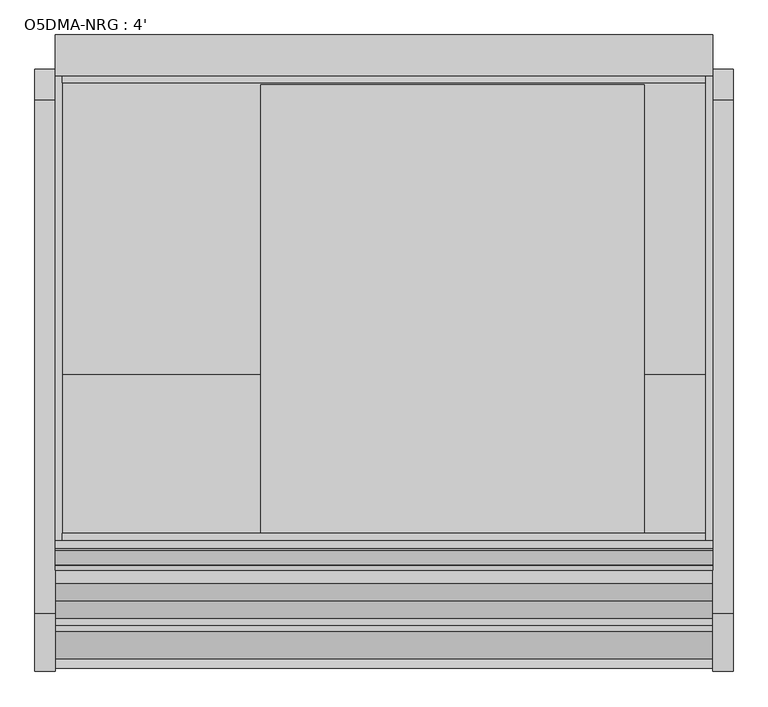
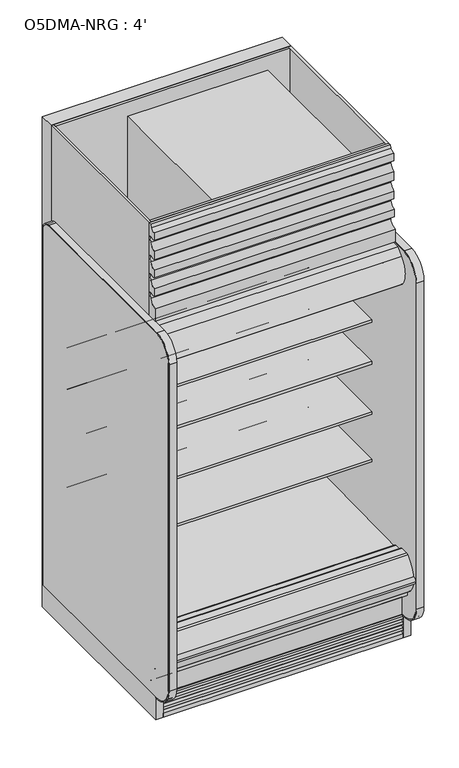
"""IFC4 building model written with IfcOpenShell, lengths in millimetres: proxy geometry, O5DMA-NRG : 4'."""

from ifc_helpers import new_model, si_unit, point, frame, frame_2d, origin, origin_with_axes, place, context, project, spatial, polyline, circle_curve, trimmed, segment, composite_curve, outline, extrude, source, transform, mapped, element, save
from ifc_brep_helpers import plane_surface, cylinder_surface, revolved_surface, advanced_brep


def o5dma_nrg_4_c6fe29ca(model_context):
    return source(origin(), model_context, "Body", "SolidModel", [
        extrude(outline(composite_curve([segment(polyline([(-1263.6866217, 2085.9118693), (-1318.6996994, 2085.9118693), (-1318.6996994, 2154.4143683)]), True, "CONTINUOUS"), segment(trimmed(circle_curve(frame_2d((-1319.6860573, 2197.5880723)), 43.1849699), [point((-1318.6996994, 2154.4143683))], [point((-1278.4754826, 2184.6795423))], True, "CARTESIAN"), True, "CONTINUOUS"), segment(polyline([(-1278.4754826, 2184.6795423), (-1268.454686, 2220.5791394), (-1302.3579387, 2213.7016488), (-1308.8711502, 2213.7016488), (-1308.8711502, 2254.1281122)]), True, "CONTINUOUS"), segment(trimmed(circle_curve(frame_2d((-1322.8567475, 2297.2085177)), 45.2936891), [point((-1308.8711502, 2254.1281122))], [point((-1279.6211841, 2283.7102095))], True, "CARTESIAN"), True, "CONTINUOUS"), segment(polyline([(-1279.6211841, 2283.7102095), (-1268.454686, 2319.2947996), (-1302.3579387, 2312.4173089), (-1308.7129688, 2312.4173089), (-1308.7129688, 2352.8952074)]), True, "CONTINUOUS"), segment(trimmed(circle_curve(frame_2d((-1323.0244337, 2396.1573595)), 45.5678816), [point((-1308.7129688, 2352.8952074))], [point((-1279.5752621, 2382.4241398))], True, "CARTESIAN"), True, "CONTINUOUS"), segment(polyline([(-1279.5752621, 2382.4241398), (-1268.454686, 2417.6074274), (-1302.3579387, 2411.1335648), (-1308.7129688, 2411.1335648), (-1308.7129688, 2456.6217182)]), True, "CONTINUOUS"), segment(trimmed(circle_curve(frame_2d((-1323.0244337, 2499.8838703)), 45.5678816), [point((-1308.7129688, 2456.6217182))], [point((-1279.5752621, 2486.1506506))], True, "CARTESIAN"), True, "CONTINUOUS"), segment(polyline([(-1279.5752621, 2486.1506506), (-1268.454686, 2521.3339382), (-1302.3579387, 2514.8600756), (-1308.7129688, 2514.8600756), (-1308.7129688, 2555.3379741)]), True, "CONTINUOUS"), segment(trimmed(circle_curve(frame_2d((-1306.8077518, 2590.2849342)), 34.9988553), [point((-1308.7129688, 2555.3379741))], [point((-1281.9927789, 2565.6042334))], True, "CARTESIAN"), True, "CONTINUOUS"), segment(polyline([(-1281.9927789, 2565.6042334), (-1277.4161637, 2582.0), (-1263.6866217, 2582.0), (-1263.6866217, 2085.9118693)]), True, "CONTINUOUS")], self_intersect=False)), frame((0.0, 0.0, 0.0), z_axis=(1.0, 0.0, 0.0), x_axis=(0.0, 1.0, 0.0)), (0.0, 0.0, 1.0), 1219.2),
        extrude(outline(polyline([(245.4971536, -595.3134422), (245.4971536, -709.6134422), (67.6971536, -709.6134422), (67.6971536, -595.3134422), (245.4971536, -595.3134422)])), frame((0.0, 0.0, 68.5310382), z_axis=(0.0, 0.0, 1.0), x_axis=(1.0, 0.0, 0.0)), (0.0, 0.0, 1.0), 6.35),
        extrude(outline(polyline([(1219.2, -325.3089273), (1219.2, -401.5089273), (0.0, -401.5089273), (0.0, -325.3089273), (1219.2, -325.3089273)])), frame((0.0, 0.0, 206.450819), z_axis=(0.0, 0.0, 1.0), x_axis=(1.0, 0.0, 0.0)), (0.0, 0.0, 1.0), 2375.549181),
        extrude(outline(polyline([(-401.5089273, 2053.8264246), (-955.9036792, 2053.8264246), (-955.9036792, 2075.2), (-1263.6866217, 2075.2), (-1263.6866217, 2582.0), (-401.5089273, 2582.0), (-401.5089273, 2053.8264246)])), frame((1206.5, 0.0, 0.0), z_axis=(1.0, 0.0, 0.0), x_axis=(0.0, 1.0, 0.0)), (0.0, 0.0, 1.0), 12.7),
        extrude(outline(polyline([(1206.5, -401.5089273), (1206.5, -414.2089273), (12.7, -414.2089273), (12.7, -401.5089273), (1206.5, -401.5089273)])), frame((0.0, 0.0, 2053.8264246), z_axis=(0.0, 0.0, 1.0), x_axis=(1.0, 0.0, 0.0)), (0.0, 0.0, 1.0), 528.1735754),
        extrude(outline(polyline([(1206.5, -1249.5614572), (1206.5, -1263.6866217), (12.7, -1263.6866217), (12.7, -1249.5614572), (1206.5, -1249.5614572)])), frame((0.0, 0.0, 2075.2), z_axis=(0.0, 0.0, 1.0), x_axis=(1.0, 0.0, 0.0)), (0.0, 0.0, 1.0), 506.8),
        extrude(outline(polyline([(-401.5089273, 2053.8264246), (-955.9242099, 2053.8264246), (-955.9242099, 2075.2), (-1263.6866217, 2075.2), (-1263.6866217, 2582.0), (-401.5089273, 2582.0), (-401.5089273, 2053.8264246)])), frame((0.0, 0.0, 0.0), z_axis=(1.0, 0.0, 0.0), x_axis=(0.0, 1.0, 0.0)), (0.0, 0.0, 1.0), 12.7),
        extrude(outline(composite_curve([segment(polyline([(-504.9331995, 794.189381), (-504.9331995, 719.0883547), (-528.313746, 719.0883547)]), True, "CONTINUOUS"), segment(trimmed(circle_curve(frame_2d((-528.7455821, 744.4846835)), 25.4), [point((-528.313746, 719.0883547))], [point((-544.7229383, 724.7392008))], False, "CARTESIAN"), True, "CONTINUOUS"), segment(polyline([(-544.7229383, 724.7392008), (-562.5749995, 739.1844663)]), True, "CONTINUOUS"), segment(trimmed(circle_curve(frame_2d((-602.5183901, 689.8207596)), 63.5), [point((-562.5749995, 739.1844663))], [point((-594.6205089, 752.8276915))], True, "CARTESIAN"), True, "CONTINUOUS"), segment(polyline([(-594.6205089, 752.8276915), (-869.1842482, 776.5248289), (-870.6730247, 779.965381), (-1114.4144075, 779.965381), (-1114.4144075, 794.189381), (-504.9331995, 794.189381)]), True, "CONTINUOUS")], self_intersect=False)), frame((0.0, 0.0, 0.0), z_axis=(1.0, 0.0, 0.0), x_axis=(0.0, 1.0, 0.0)), (0.0, 0.0, 1.0), 1219.2),
        extrude(outline(composite_curve([segment(polyline([(-504.9331995, 1049.544493), (-504.9331995, 974.4434667), (-528.313746, 974.4434667)]), True, "CONTINUOUS"), segment(trimmed(circle_curve(frame_2d((-528.7455821, 999.8397955)), 25.4), [point((-528.313746, 974.4434667))], [point((-544.7229383, 980.0943128))], False, "CARTESIAN"), True, "CONTINUOUS"), segment(polyline([(-544.7229383, 980.0943128), (-562.5749995, 994.5395783)]), True, "CONTINUOUS"), segment(trimmed(circle_curve(frame_2d((-602.5183901, 945.1758716)), 63.5), [point((-562.5749995, 994.5395783))], [point((-594.6205089, 1008.1828035))], True, "CARTESIAN"), True, "CONTINUOUS"), segment(polyline([(-594.6205089, 1008.1828035), (-869.1842482, 1031.8799409), (-870.6730247, 1035.320493), (-1114.4144075, 1035.320493), (-1114.4144075, 1049.544493), (-504.9331995, 1049.544493)]), True, "CONTINUOUS")], self_intersect=False)), frame((0.0, 0.0, 0.0), z_axis=(1.0, 0.0, 0.0), x_axis=(0.0, 1.0, 0.0)), (0.0, 0.0, 1.0), 1219.2),
        extrude(outline(composite_curve([segment(polyline([(-504.9331995, 1319.5585779), (-504.9331995, 1244.4575515), (-528.313746, 1244.4575515)]), True, "CONTINUOUS"), segment(trimmed(circle_curve(frame_2d((-528.7455821, 1269.8538803)), 25.4), [point((-528.313746, 1244.4575515))], [point((-544.7229383, 1250.1083976))], False, "CARTESIAN"), True, "CONTINUOUS"), segment(polyline([(-544.7229383, 1250.1083976), (-562.5749995, 1264.5536632)]), True, "CONTINUOUS"), segment(trimmed(circle_curve(frame_2d((-602.5183901, 1215.1899564)), 63.5), [point((-562.5749995, 1264.5536632))], [point((-594.6205089, 1278.1968884))], True, "CARTESIAN"), True, "CONTINUOUS"), segment(polyline([(-594.6205089, 1278.1968884), (-869.1842482, 1301.8940258), (-870.6730247, 1305.3345779), (-1114.4144075, 1305.3345779), (-1114.4144075, 1319.5585779), (-504.9331995, 1319.5585779)]), True, "CONTINUOUS")], self_intersect=False)), frame((0.0, 0.0, 0.0), z_axis=(1.0, 0.0, 0.0), x_axis=(0.0, 1.0, 0.0)), (0.0, 0.0, 1.0), 1219.2),
        extrude(outline(polyline([(-819.1925954, 1873.7130953), (-820.7483185, 1873.3970543), (-824.056726, 1889.6828121), (-824.056726, 1949.6779319), (-754.206726, 1949.6779319), (-754.206726, 1948.4203121), (-766.112976, 1948.4203121), (-801.831726, 1924.6078121), (-801.831726, 1948.4203121), (-822.469226, 1948.4203121), (-822.469226, 1889.8424301), (-819.1925954, 1873.7130953)])), frame((0.0, 0.0, 0.0), z_axis=(1.0, 0.0, 0.0), x_axis=(0.0, 1.0, 0.0)), (0.0, 0.0, 1.0), 1219.2),
        extrude(outline(composite_curve([segment(trimmed(circle_curve(frame_2d((-774.1696558, 1920.6997366)), 14.2875), [point((-788.4571558, 1920.6997366))], [point((-759.8821558, 1920.6997366))], False, "CARTESIAN"), True, "CONTINUOUS"), segment(trimmed(circle_curve(frame_2d((-774.1696558, 1920.6997366)), 14.2875), [point((-759.8821558, 1920.6997366))], [point((-788.4571558, 1920.6997366))], False, "CARTESIAN"), True, "CONTINUOUS")], self_intersect=False)), frame((0.0, 0.0, 0.0), z_axis=(1.0, 0.0, 0.0), x_axis=(0.0, 1.0, 0.0)), (0.0, 0.0, 1.0), 1219.2),
        extrude(outline(polyline([(0.0, -6.35), (0.0, 0.0), (1219.2, 0.0), (1219.2, -6.35), (0.0, -6.35)])), frame((1219.2, -524.3976265, 1670.2859362), z_axis=(0.0, -0.580702955710887, 0.8141155183563569), x_axis=(-1.0, 0.0, 0.0)), (0.0, 0.0, 1.0), 300.455534),
        extrude(outline(composite_curve([segment(trimmed(circle_curve(frame_2d((-507.6345065, 1656.5706649)), 2.8575), [point((-504.9331995, 1655.6388672))], [point((-506.5179923, 1653.9403223))], False, "CARTESIAN"), True, "CONTINUOUS"), segment(polyline([(-506.5179923, 1653.9403223), (-515.6142737, 1650.0791799)]), True, "CONTINUOUS"), segment(trimmed(circle_curve(frame_2d((-516.7307879, 1652.7095225)), 2.8575), [point((-515.6142737, 1650.0791799))], [point((-519.2768391, 1651.4122447))], False, "CARTESIAN"), True, "CONTINUOUS"), segment(polyline([(-519.2768391, 1651.4122447), (-527.2046481, 1666.971446)]), True, "CONTINUOUS"), segment(trimmed(circle_curve(frame_2d((-526.0730698, 1667.5480139)), 1.27), [point((-527.2046481, 1666.971446))], [point((-526.6496378, 1668.6795922))], False, "CARTESIAN"), True, "CONTINUOUS"), segment(polyline([(-526.6496378, 1668.6795922), (-519.227993, 1673.9734), (-507.4434516, 1657.4520824), (-506.0470065, 1656.5706649), (-506.0470065, 1694.6699147), (-504.9331995, 1694.6699147), (-504.9331995, 1655.6388672)]), True, "CONTINUOUS")], self_intersect=False)), frame((0.0, 0.0, 0.0), z_axis=(1.0, 0.0, 0.0), x_axis=(0.0, 1.0, 0.0)), (0.0, 0.0, 1.0), 1219.2),
        extrude(outline(composite_curve([segment(polyline([(-696.8626604, 1923.0080191), (-693.7034096, 1918.5789129), (-698.8730432, 1914.8914491), (-701.4750016, 1914.0888217)]), True, "CONTINUOUS"), segment(trimmed(circle_curve(frame_2d((-702.1352778, 1916.2293059)), 2.2400083), [point((-701.4750016, 1914.0888217))], [point((-703.3202525, 1914.3283924))], False, "CARTESIAN"), True, "CONTINUOUS"), segment(polyline([(-703.3202525, 1914.3283924), (-727.3498745, 1948.0166799), (-743.2248745, 1948.0166799), (-743.2248745, 1949.6779319), (-726.9748589, 1949.6779319), (-714.1682492, 1931.7237274), (-704.480356, 1938.6340345)]), True, "CONTINUOUS"), segment(trimmed(circle_curve(frame_2d((-703.7428632, 1937.6001078)), 1.27), [point((-704.480356, 1938.6340345))], [point((-702.7089365, 1938.3376005))], False, "CARTESIAN"), True, "CONTINUOUS"), segment(polyline([(-702.7089365, 1938.3376005), (-693.4902771, 1925.4135167), (-696.8626604, 1923.0080191)]), True, "CONTINUOUS")], self_intersect=False)), frame((0.0, 0.0, 0.0), z_axis=(1.0, 0.0, 0.0), x_axis=(0.0, 1.0, 0.0)), (0.0, 0.0, 1.0), 1219.2),
        extrude(outline(composite_curve([segment(trimmed(circle_curve(frame_2d((368.3, 1139.6090336)), 12.7), [point((368.3, 1152.3090336))], [point((368.3, 1126.9090336))], False, "CARTESIAN"), True, "CONTINUOUS"), segment(trimmed(circle_curve(frame_2d((368.3, 1139.6090336)), 12.7), [point((368.3, 1126.9090336))], [point((368.3, 1152.3090336))], False, "CARTESIAN"), True, "CONTINUOUS")], self_intersect=False)), frame((0.0, -447.5561252, 0.0), z_axis=(0.0, 1.0, 0.0), x_axis=(0.0, 0.0, 1.0)), (0.0, 0.0, 1.0), 52.3971979),
        extrude(outline(composite_curve([segment(trimmed(circle_curve(frame_2d((368.3, 1101.1972115)), 9.525), [point((368.3, 1110.7222115))], [point((368.3, 1091.6722115))], False, "CARTESIAN"), True, "CONTINUOUS"), segment(trimmed(circle_curve(frame_2d((368.3, 1101.1972115)), 9.525), [point((368.3, 1091.6722115))], [point((368.3, 1110.7222115))], False, "CARTESIAN"), True, "CONTINUOUS")], self_intersect=False)), frame((0.0, -447.5561252, 0.0), z_axis=(0.0, 1.0, 0.0), x_axis=(0.0, 0.0, 1.0)), (0.0, 0.0, 1.0), 52.3971979),
        extrude(outline(composite_curve([segment(polyline([(-451.7851762, 2003.6360246), (-451.7851762, 404.745884), (-504.9331995, 404.745884), (-504.9331995, 1926.7316344)]), True, "CONTINUOUS"), segment(trimmed(circle_curve(frame_2d((-530.2144075, 1924.2779595)), 25.4), [point((-504.9331995, 1926.7316344))], [point((-530.1770065, 1949.6779319))], True, "CARTESIAN"), True, "CONTINUOUS"), segment(polyline([(-530.1770065, 1949.6779319), (-1114.9745421, 1949.6779319), (-1114.9745421, 1914.2218291)]), True, "CONTINUOUS"), segment(trimmed(circle_curve(frame_2d((-1117.196833, 1914.2218291)), 2.2222909), [point((-1114.9745421, 1914.2218291))], [point((-1117.196833, 1911.9995382))], False, "CARTESIAN"), True, "CONTINUOUS"), segment(polyline([(-1117.196833, 1911.9995382), (-1126.6611644, 1911.9995382)]), True, "CONTINUOUS"), segment(trimmed(circle_curve(frame_2d((-1126.6611644, 1912.3170382)), 0.3175), [point((-1126.6611644, 1911.9995382))], [point((-1126.6611644, 1912.6345382))], False, "CARTESIAN"), True, "CONTINUOUS"), segment(polyline([(-1126.6611644, 1912.6345382), (-1117.1970421, 1912.6345382)]), True, "CONTINUOUS"), segment(trimmed(circle_curve(frame_2d((-1117.1970421, 1914.2220382)), 1.5875), [point((-1117.1970421, 1912.6345382))], [point((-1115.6095421, 1914.2220382))], True, "CARTESIAN"), True, "CONTINUOUS"), segment(polyline([(-1115.6095421, 1914.2220382), (-1115.6095421, 1942.4487846), (-1220.1998155, 1942.4487846), (-1220.1998155, 1914.2220382)]), True, "CONTINUOUS"), segment(trimmed(circle_curve(frame_2d((-1218.6123155, 1914.2220382)), 1.5875), [point((-1220.1998155, 1914.2220382))], [point((-1218.6123155, 1912.6345382))], True, "CARTESIAN"), True, "CONTINUOUS"), segment(polyline([(-1218.6123155, 1912.6345382), (-1209.9959099, 1912.6345382)]), True, "CONTINUOUS"), segment(trimmed(circle_curve(frame_2d((-1209.9959099, 1912.3170382)), 0.3175), [point((-1209.9959099, 1912.6345382))], [point((-1209.9959099, 1911.9995382))], False, "CARTESIAN"), True, "CONTINUOUS"), segment(polyline([(-1209.9959099, 1911.9995382), (-1218.6125246, 1911.9995382)]), True, "CONTINUOUS"), segment(trimmed(circle_curve(frame_2d((-1218.6125246, 1914.2218291)), 2.2222909), [point((-1218.6125246, 1911.9995382))], [point((-1220.8348155, 1914.2220382))], False, "CARTESIAN"), True, "CONTINUOUS"), segment(polyline([(-1220.8348155, 1914.2220382), (-1220.8264025, 2003.6360246), (-451.7851762, 2003.6360246)]), True, "CONTINUOUS")], self_intersect=False)), frame((0.0, 0.0, 0.0), z_axis=(1.0, 0.0, 0.0), x_axis=(0.0, 1.0, 0.0)), (0.0, 0.0, 1.0), 1219.2),
        advanced_brep(
        [(1219.2, -1428.7889874, 391.24255), (1219.2, -1428.7889874, 254.2724833), (1219.2, -1275.0830824, 130.175), (1219.2, -401.5089273, 130.175), (1219.2, -401.5089273, 2053.8264246), (1219.2, -1260.1538424, 2053.8264246), (1219.2, -1260.1538424, 2003.6360246), (1219.2, -451.7851762, 2003.6360246), (1219.2, -451.7851762, 363.9695251), (1219.2, -599.5014929, 211.662363), (1219.2, -1043.5931205, 195.6779213), (1219.2, -1096.7050237, 157.095884), (1219.2, -1163.5210307, 157.095884), (1219.2, -1221.5656168, 189.2720563), (1219.2, -1379.2843872, 341.5792153), (1219.2, -1379.2843872, 391.24255), (0.0, -1428.7889874, 391.24255), (0.0, -1379.2843872, 391.24255), (0.0, -1379.2843872, 341.5792153), (0.0, -1221.5656168, 189.2720563), (0.0, -1163.5210307, 157.095884), (0.0, -1096.7050237, 157.095884), (0.0, -1043.5931205, 195.6779213), (0.0, -599.5014929, 211.662363), (0.0, -451.7851762, 363.9695251), (0.0, -451.7851762, 2003.6360246), (0.0, -1260.1538424, 2003.6360246), (0.0, -1260.1538424, 2053.8264246), (0.0, -401.5089273, 2053.8264246), (0.0, -401.5089273, 130.175), (0.0, -1275.0830824, 130.175), (0.0, -1428.7889874, 254.2724833), (1117.6, -401.5089273, 317.5), (1117.6, -401.5089273, 419.1), (1117.6, -447.5561252, 317.5), (1117.6, -447.5561252, 419.1)],
        [
            (0, 1),
            (1, 2),
            (2, 3),
            (3, 4),
            (4, 5),
            (5, 6),
            (6, 7),
            (7, 8),
            (8, 9, circle_curve(frame((1219.2, -605.0132276, 364.7934683), z_axis=(-1.0, 0.0, 0.0), x_axis=(0.0, 1.0, 0.0)), 153.2302667)),
            (9, 10),
            (10, 11),
            (11, 12),
            (12, 13),
            (13, 14, circle_curve(frame((1219.2, -1226.8843872, 341.5792153), z_axis=(-1.0, 0.0, 0.0), x_axis=(0.0, 1.0, 0.0)), 152.4)),
            (14, 15),
            (15, 0),
            (16, 17),
            (17, 18),
            (18, 19, circle_curve(frame((0.0, -1226.8843872, 341.5792153), z_axis=(1.0, 0.0, 0.0), x_axis=(0.0, 1.0, 0.0)), 152.4)),
            (19, 20),
            (20, 21),
            (21, 22),
            (22, 23),
            (23, 24, circle_curve(frame((0.0, -605.0132276, 364.7934683), z_axis=(1.0, 0.0, 0.0), x_axis=(0.0, 1.0, 0.0)), 153.2302667)),
            (24, 25),
            (25, 26),
            (26, 27),
            (27, 28),
            (28, 29),
            (29, 30),
            (30, 31),
            (31, 16),
            (0, 16),
            (31, 1),
            (30, 2),
            (29, 3),
            (28, 4),
            (32, 33, circle_curve(frame((1117.6, -401.5089273, 368.3), z_axis=(0.0, -1.0, 0.0), x_axis=(0.0, 0.0, 1.0)), 50.8)),
            (33, 32, circle_curve(frame((1117.6, -401.5089273, 368.3), z_axis=(0.0, -1.0, 0.0), x_axis=(0.0, 0.0, 1.0)), 50.8)),
            (27, 5),
            (26, 6),
            (25, 7),
            (24, 8),
            (23, 9),
            (22, 10),
            (21, 11),
            (20, 12),
            (19, 13),
            (18, 14),
            (17, 15),
            (34, 35, circle_curve(frame((1117.6, -447.5561252, 368.3), z_axis=(0.0, 1.0, 0.0), x_axis=(0.0, 0.0, 1.0)), 50.8)),
            (35, 34, circle_curve(frame((1117.6, -447.5561252, 368.3), z_axis=(0.0, 1.0, 0.0), x_axis=(0.0, 0.0, 1.0)), 50.8)),
            (35, 33),
            (32, 34),
        ],
        [
            plane_surface(frame((1219.2, -1428.7889874, 254.2724833), z_axis=(1.0, 0.0, 0.0), x_axis=(0.0, 0.0, -1.0))),
            plane_surface(frame((0.0, -1428.7889874, 254.2724833), z_axis=(-1.0, 0.0, 0.0), x_axis=(0.0, 0.0, 1.0))),
            plane_surface(frame((1219.2, -1428.7889874, 391.24255), z_axis=(0.0, -1.0, 0.0), x_axis=(-1.0, 0.0, 0.0))),
            plane_surface(frame((1219.2, -1428.7889874, 254.2724833), z_axis=(0.0, -0.6281851642637378, -0.7780638787393622), x_axis=(-1.0, 0.0, 0.0))),
            plane_surface(frame((1219.2, -1275.0830824, 130.175), z_axis=(0.0, 0.0, -1.0), x_axis=(-1.0, 0.0, 0.0))),
            plane_surface(frame((1219.2, -401.5089273, 130.175), z_axis=(0.0, 1.0, 0.0), x_axis=(-1.0, 0.0, 0.0))),
            plane_surface(frame((1219.2, -401.5089273, 2053.8264246), z_axis=(0.0, 0.0, 1.0), x_axis=(-1.0, 0.0, 0.0))),
            plane_surface(frame((1219.2, -1260.1538424, 2053.8264246), z_axis=(0.0, -1.0, 0.0), x_axis=(-1.0, 0.0, 0.0))),
            plane_surface(frame((1219.2, -1260.1538424, 2003.6360246), z_axis=(0.0, 0.0, -1.0), x_axis=(-1.0, 0.0, 0.0))),
            plane_surface(frame((1219.2, -451.7851762, 2003.6360246), z_axis=(0.0, -1.0, 0.0), x_axis=(-1.0, 0.0, 0.0))),
            revolved_surface(polyline([(0.0, -451.78296090000003, 364.7934683), (1219.2, -451.78296090000003, 364.7934683)]), (0.0, -605.0132276, 364.7934683), (-1.0, 0.0, 0.0)),
            plane_surface(frame((1219.2, -599.5014929, 211.662363), z_axis=(0.0, -0.035970274152171335, 0.9993528602938092), x_axis=(-1.0, 0.0, 0.0))),
            plane_surface(frame((1219.2, -1043.5931205, 195.6779213), z_axis=(0.0, -0.5877252382160976, 0.8090605937529224), x_axis=(-1.0, 0.0, 0.0))),
            plane_surface(frame((1219.2, -1096.7050237, 157.095884), z_axis=(0.0, 0.0, 1.0), x_axis=(-1.0, 0.0, 0.0))),
            plane_surface(frame((1219.2, -1163.5210307, 157.095884), z_axis=(0.0, 0.48482728759131516, 0.8746099137368889), x_axis=(-1.0, 0.0, 0.0))),
            revolved_surface(polyline([(0.0, -1074.4843872, 341.5792153), (1219.2, -1074.4843872, 341.5792153)]), (0.0, -1226.8843872, 341.5792153), (-1.0, 0.0, 0.0)),
            plane_surface(frame((1219.2, -1379.2843872, 341.5792153), z_axis=(0.0, 1.0, 0.0), x_axis=(-1.0, 0.0, 0.0))),
            plane_surface(frame((1219.2, -1379.2843872, 391.24255), z_axis=(0.0, 0.0, 1.0), x_axis=(-1.0, 0.0, 0.0))),
            plane_surface(frame((1117.6, -447.5561252, 419.1), z_axis=(0.0, 1.0, 0.0), x_axis=(-1.0, 0.0, 0.0))),
            revolved_surface(polyline([(1117.6, -447.5561252, 419.1), (1117.6, -401.5089273, 419.1)]), (1117.6, -401.5089273, 368.3), (0.0, -1.0, 0.0)),
        ],
        [
            (0, [[1, 2, 3, 4, 5, 6, 7, 8, 9, 10, 11, 12, 13, 14, 15, 16]]),
            (1, [[17, 18, 19, 20, 21, 22, 23, 24, 25, 26, 27, 28, 29, 30, 31, 32]]),
            (2, [[-1, 33, -32, 34]]),
            (3, [[-2, -34, -31, 35]]),
            (4, [[-3, -35, -30, 36]]),
            (5, [[-4, -36, -29, 37], [38, 39]]),
            (6, [[-5, -37, -28, 40]]),
            (7, [[-6, -40, -27, 41]]),
            (8, [[-7, -41, -26, 42]]),
            (9, [[-8, -42, -25, 43]]),
            (10, [[-9, -43, -24, 44]]),
            (11, [[-10, -44, -23, 45]]),
            (12, [[-11, -45, -22, 46]]),
            (13, [[-12, -46, -21, 47]]),
            (14, [[-13, -47, -20, 48]]),
            (15, [[-14, -48, -19, 49]]),
            (16, [[-15, -49, -18, 50]]),
            (17, [[-16, -50, -17, -33]]),
            (18, [[51, 52]]),
            (19, [[-52, 53, -38, 54]]),
            (19, [[-51, -54, -39, -53]]),
        ],
    ),
        advanced_brep(
        [(1219.2, -1221.5656168, 189.2720563), (1219.2, -1163.5210307, 157.095884), (1219.2, -1096.7050237, 157.095884), (1219.2, -1043.5931205, 195.6779213), (1219.2, -599.5014929, 211.662363), (1219.2, -451.7851762, 363.9695251), (1219.2, -451.7851762, 404.745884), (1219.2, -504.9543965, 404.745884), (1219.2, -504.9543965, 468.8781737), (1219.2, -516.6398058, 457.951581), (1219.2, -611.5826347, 451.2993262), (1219.2, -611.5826347, 459.5548668), (1219.2, -1317.6144075, 447.2310363), (1219.2, -1317.6144075, 451.8697146), (1219.2, -1324.3287142, 459.701519), (1219.2, -1379.2843872, 459.701519), (1219.2, -1379.2843872, 341.5792153), (0.0, -1221.5656168, 189.2720563), (0.0, -1379.2843872, 341.5792153), (0.0, -1379.2843872, 459.701519), (0.0, -1324.3287142, 459.701519), (0.0, -1317.6144075, 451.8697146), (0.0, -1317.6144075, 447.2310363), (0.0, -611.5826347, 459.5548668), (0.0, -611.5826347, 451.2993262), (0.0, -516.6285003, 457.9391661), (0.0, -504.9543965, 468.8781737), (0.0, -504.9543965, 404.745884), (0.0, -451.7851762, 404.745884), (0.0, -451.7851762, 363.9695251), (0.0, -599.5014929, 211.662363), (0.0, -1043.5931205, 195.6779213), (0.0, -1096.7050237, 157.095884), (0.0, -1163.5210307, 157.095884)],
        [
            (0, 1),
            (1, 2),
            (2, 3),
            (3, 4),
            (4, 5, circle_curve(frame((1219.2, -605.0132276, 364.7934683), z_axis=(1.0, 0.0, 0.0), x_axis=(0.0, 1.0, 0.0)), 153.2302667)),
            (5, 6),
            (6, 7),
            (7, 8),
            (8, 9, circle_curve(frame((1219.2, -517.5249667, 470.6099714), z_axis=(-1.0, 0.0, 0.0), x_axis=(0.0, 1.0, 0.0)), 12.689301)),
            (9, 10),
            (10, 11),
            (11, 12),
            (12, 13),
            (13, 14, circle_curve(frame((1219.2, -1325.5392075, 451.8697146), z_axis=(1.0, 0.0, 0.0), x_axis=(0.0, 1.0, 0.0)), 7.9248)),
            (14, 15),
            (15, 16),
            (16, 0, circle_curve(frame((1219.2, -1226.8843872, 341.5792153), z_axis=(1.0, 0.0, 0.0), x_axis=(0.0, 1.0, 0.0)), 152.4)),
            (17, 18, circle_curve(frame((0.0, -1226.8843872, 341.5792153), z_axis=(-1.0, 0.0, 0.0), x_axis=(0.0, 1.0, 0.0)), 152.4)),
            (18, 19),
            (19, 20),
            (20, 21, circle_curve(frame((0.0, -1325.5392075, 451.8697146), z_axis=(-1.0, 0.0, 0.0), x_axis=(0.0, 1.0, 0.0)), 7.9248)),
            (21, 22),
            (22, 23),
            (23, 24),
            (24, 25),
            (25, 26, circle_curve(frame((0.0, -517.5249667, 470.6099714), z_axis=(1.0, 0.0, 0.0), x_axis=(0.0, 1.0, 0.0)), 12.689301)),
            (26, 27),
            (27, 28),
            (28, 29),
            (29, 30, circle_curve(frame((0.0, -605.0132276, 364.7934683), z_axis=(-1.0, 0.0, 0.0), x_axis=(0.0, 1.0, 0.0)), 153.2302667)),
            (30, 31),
            (31, 32),
            (32, 33),
            (33, 17),
            (15, 19),
            (18, 16),
            (17, 0),
            (33, 1),
            (32, 2),
            (31, 3),
            (30, 4),
            (29, 5),
            (28, 6),
            (27, 7),
            (26, 8),
            (25, 9),
            (24, 10),
            (23, 11),
            (22, 12),
            (14, 20),
            (21, 13),
        ],
        [
            plane_surface(frame((1219.2, -1221.5656168, 189.2720563), z_axis=(1.0, 0.0, 0.0), x_axis=(0.0, 0.8746099137368883, -0.48482728759131605))),
            plane_surface(frame((0.0, -1221.5656168, 189.2720563), z_axis=(-1.0, 0.0, 0.0), x_axis=(0.0, -0.8746099137368883, 0.48482728759131605))),
            plane_surface(frame((1219.2, -1379.2843872, 459.701519), z_axis=(0.0, -1.0, 0.0), x_axis=(-1.0, 0.0, 0.0))),
            cylinder_surface(frame((0.0, -1226.8843872, 341.5792153), z_axis=(1.0, 0.0, 0.0), x_axis=(0.0, 1.0, 0.0)), 152.4),
            plane_surface(frame((1219.2, -1221.5656168, 189.2720563), z_axis=(0.0, -0.48482728759131605, -0.8746099137368883), x_axis=(-1.0, 0.0, 0.0))),
            plane_surface(frame((1219.2, -1163.5210307, 157.095884), z_axis=(0.0, 0.0, -1.0), x_axis=(-1.0, 0.0, 0.0))),
            plane_surface(frame((1219.2, -1096.7050237, 157.095884), z_axis=(0.0, 0.5877252382160976, -0.8090605937529224), x_axis=(-1.0, 0.0, 0.0))),
            plane_surface(frame((1219.2, -1043.5931205, 195.6779213), z_axis=(0.0, 0.03597027415217135, -0.9993528602938092), x_axis=(-1.0, 0.0, 0.0))),
            cylinder_surface(frame((0.0, -605.0132276, 364.7934683), z_axis=(1.0, 0.0, 0.0), x_axis=(0.0, 1.0, 0.0)), 153.2302667),
            plane_surface(frame((1219.2, -451.7851762, 363.9695251), z_axis=(0.0, 1.0, 0.0), x_axis=(-1.0, 0.0, 0.0))),
            plane_surface(frame((1219.2, -451.7851762, 404.745884), z_axis=(0.0, 0.0, 1.0), x_axis=(-1.0, 0.0, 0.0))),
            plane_surface(frame((1219.2, -504.9543965, 404.745884), z_axis=(0.0, 1.0, 0.0), x_axis=(-1.0, 0.0, 0.0))),
            revolved_surface(polyline([(0.0, -504.83566570000005, 470.6099714), (1219.2, -504.83566570000005, 470.6099714)]), (0.0, -517.5249667, 470.6099714), (-1.0, 0.0, 0.0)),
            plane_surface(frame((1219.2, -516.6285003, 457.9391661), z_axis=(0.0, -0.06975647369769093, 0.9975640502630714), x_axis=(-1.0, 0.0, 0.0))),
            plane_surface(frame((1219.2, -611.5826347, 451.2993262), z_axis=(0.0, 1.0, 0.0), x_axis=(-1.0, 0.0, 0.0))),
            plane_surface(frame((1219.2, -611.5826347, 459.5548668), z_axis=(0.0, -0.0174524064372834, 0.9998476951563914), x_axis=(-1.0, 0.0, 0.0))),
            plane_surface(frame((1219.2, -1324.3287142, 459.701519), z_axis=(0.0, 0.0, 1.0), x_axis=(-1.0, 0.0, 0.0))),
            plane_surface(frame((1219.2, -1317.6144075, 447.2310363), z_axis=(0.0, 1.0, 0.0), x_axis=(-1.0, 0.0, 0.0))),
            cylinder_surface(frame((0.0, -1325.5392075, 451.8697146), z_axis=(1.0, 0.0, 0.0), x_axis=(0.0, 1.0, 0.0)), 7.9248),
        ],
        [
            (0, [[1, 2, 3, 4, 5, 6, 7, 8, 9, 10, 11, 12, 13, 14, 15, 16, 17]]),
            (1, [[18, 19, 20, 21, 22, 23, 24, 25, 26, 27, 28, 29, 30, 31, 32, 33, 34]]),
            (2, [[-16, 35, -19, 36]]),
            (3, [[-17, -36, -18, 37]]),
            (4, [[-1, -37, -34, 38]]),
            (5, [[-2, -38, -33, 39]]),
            (6, [[-3, -39, -32, 40]]),
            (7, [[-4, -40, -31, 41]]),
            (8, [[-5, -41, -30, 42]]),
            (9, [[-6, -42, -29, 43]]),
            (10, [[-7, -43, -28, 44]]),
            (11, [[-8, -44, -27, 45]]),
            (12, [[-9, -45, -26, 46]]),
            (13, [[-10, -46, -25, 47]]),
            (14, [[-11, -47, -24, 48]]),
            (15, [[-12, -48, -23, 49]]),
            (16, [[-15, 50, -20, -35]]),
            (17, [[-13, -49, -22, 51]]),
            (18, [[-14, -51, -21, -50]]),
        ],
    ),
        extrude(outline(composite_curve([segment(trimmed(circle_curve(frame_2d((914.4, -1128.5839273)), 38.1), [point((876.3, -1128.5839273))], [point((952.5, -1128.5839273))], False, "CARTESIAN"), True, "CONTINUOUS"), segment(trimmed(circle_curve(frame_2d((914.4, -1128.5839273)), 38.1), [point((952.5, -1128.5839273))], [point((876.3, -1128.5839273))], False, "CARTESIAN"), True, "CONTINUOUS")], self_intersect=False)), frame((0.0, 0.0, 66.7090149), z_axis=(0.0, 0.0, 1.0), x_axis=(1.0, 0.0, 0.0)), (0.0, 0.0, 1.0), 57.1159851),
        advanced_brep(
        [(1219.2, -401.5089273, 0.0), (1219.2, -401.5089273, 130.175), (1219.2, -1207.9589273, 130.175), (1219.2, -1207.9589273, 0.0), (1219.2, -1161.1594273, 0.0), (1219.2, -1161.1594273, 74.8810382), (1219.2, -446.7209273, 74.8810382), (1219.2, -446.7209273, 0.0), (0.0, -401.5089273, 0.0), (0.0, -446.7209273, 0.0), (0.0, -446.7209273, 74.8810382), (0.0, -1161.1594273, 74.8810382), (0.0, -1161.1594273, 0.0), (0.0, -1207.9589273, 0.0), (0.0, -1207.9589273, 130.175), (0.0, -401.5089273, 130.175), (875.4195331, -1161.1594273, 0.0), (953.3804669, -1161.1594273, 0.0), (953.3804669, -1161.1594273, 74.8810382), (875.4195331, -1161.1594273, 74.8810382), (965.2, -1128.5839273, 74.8810382), (863.6, -1128.5839273, 74.8810382), (863.6, -1128.5839273, 123.825), (965.2, -1128.5839273, 123.825)],
        [
            (0, 1),
            (1, 2),
            (2, 3),
            (3, 4),
            (4, 5),
            (5, 6),
            (6, 7),
            (7, 0),
            (8, 9),
            (9, 10),
            (10, 11),
            (11, 12),
            (12, 13),
            (13, 14),
            (14, 15),
            (15, 8),
            (0, 8),
            (15, 1),
            (14, 2),
            (13, 3),
            (12, 16),
            (16, 17, circle_curve(frame((914.4, -1128.5839273, 0.0), z_axis=(0.0, 0.0, 1.0), x_axis=(1.0, 0.0, 0.0)), 50.8)),
            (17, 4),
            (17, 18),
            (18, 5),
            (11, 19),
            (19, 16),
            (18, 20, circle_curve(frame((914.4, -1128.5839273, 74.8810382), z_axis=(0.0, 0.0, 1.0), x_axis=(1.0, 0.0, 0.0)), 50.8)),
            (20, 21, circle_curve(frame((914.4, -1128.5839273, 74.8810382), z_axis=(0.0, 0.0, 1.0), x_axis=(1.0, 0.0, 0.0)), 50.8)),
            (21, 19, circle_curve(frame((914.4, -1128.5839273, 74.8810382), z_axis=(0.0, 0.0, 1.0), x_axis=(1.0, 0.0, 0.0)), 50.8)),
            (10, 6),
            (9, 7),
            (22, 23, circle_curve(frame((914.4, -1128.5839273, 123.825), z_axis=(0.0, 0.0, -1.0), x_axis=(1.0, 0.0, 0.0)), 50.8)),
            (23, 22, circle_curve(frame((914.4, -1128.5839273, 123.825), z_axis=(0.0, 0.0, -1.0), x_axis=(1.0, 0.0, 0.0)), 50.8)),
            (23, 20),
            (21, 22),
        ],
        [
            plane_surface(frame((1219.2, -401.5089273, 1893.5715584), z_axis=(1.0, 0.0, 0.0), x_axis=(0.0, 0.0, 1.0))),
            plane_surface(frame((0.0, -401.5089273, 1893.5715584), z_axis=(-1.0, 0.0, 0.0), x_axis=(0.0, 0.0, -1.0))),
            plane_surface(frame((1219.2, -401.5089273, 0.0), z_axis=(0.0, 1.0, 0.0), x_axis=(-1.0, 0.0, 0.0))),
            plane_surface(frame((1219.2, -401.5089273, 130.175), z_axis=(0.0, 0.0, 1.0), x_axis=(-1.0, 0.0, 0.0))),
            plane_surface(frame((1219.2, -1207.9589273, 130.175), z_axis=(0.0, -1.0, 0.0), x_axis=(-1.0, 0.0, 0.0))),
            plane_surface(frame((1219.2, -1207.9589273, 0.0), z_axis=(0.0, 0.0, -1.0), x_axis=(-1.0, 0.0, 0.0))),
            plane_surface(frame((1219.2, -1161.1594273, 0.0), z_axis=(0.0, 1.0, 0.0), x_axis=(-1.0, 0.0, 0.0))),
            plane_surface(frame((1219.2, -1161.1594273, 74.8810382), z_axis=(0.0, 0.0, -1.0), x_axis=(-1.0, 0.0, 0.0))),
            plane_surface(frame((1219.2, -446.7209273, 74.8810382), z_axis=(0.0, -1.0, 0.0), x_axis=(-1.0, 0.0, 0.0))),
            plane_surface(frame((1219.2, -446.7209273, 0.0), z_axis=(0.0, 0.0, -1.0), x_axis=(-1.0, 0.0, 0.0))),
            plane_surface(frame((965.2, -1128.5839273, 123.825), z_axis=(0.0, 0.0, -1.0), x_axis=(0.0, 1.0, 0.0))),
            revolved_surface(polyline([(965.1999999999999, -1128.5839273, 123.825), (965.1999999999999, -1128.5839273, 0.0)]), (914.4, -1128.5839273, 0.0), (0.0, 0.0, 1.0)),
            revolved_surface(polyline([(965.1999999999999, -1128.5839273, 123.825), (965.1999999999999, -1128.5839273, 74.8810382)]), (914.4, -1128.5839273, 0.0), (0.0, 0.0, 1.0)),
        ],
        [
            (0, [[1, 2, 3, 4, 5, 6, 7, 8]]),
            (1, [[9, 10, 11, 12, 13, 14, 15, 16]]),
            (2, [[-1, 17, -16, 18]]),
            (3, [[-2, -18, -15, 19]]),
            (4, [[-3, -19, -14, 20]]),
            (5, [[-4, -20, -13, 21, 22, 23]]),
            (6, [[-5, -23, 24, 25]]),
            (6, [[-12, 26, 27, -21]]),
            (7, [[-6, -25, 28, 29, 30, -26, -11, 31]]),
            (8, [[-7, -31, -10, 32]]),
            (9, [[-8, -32, -9, -17]]),
            (10, [[33, 34]]),
            (11, [[-34, 35, -28, -24, -22, -27, -30, 36]]),
            (12, [[-33, -36, -29, -35]]),
        ],
    ),
        extrude(outline(polyline([(1219.2, -1116.5701579), (1219.2, -1218.1701566), (0.0, -1218.1701566), (0.0, -1116.5701579), (1219.2, -1116.5701579)])), frame((0.0, 0.0, 1917.0487834), z_axis=(0.0, 0.0, 1.0), x_axis=(1.0, 0.0, 0.0)), (0.0, 0.0, 1.0), 25.4000011),
        extrude(outline(composite_curve([segment(polyline([(-1260.1538424, 2053.8264246), (-1260.1538424, 2003.6360246), (-1220.8264025, 2003.6360246), (-1220.8344922, 1917.6586919), (-1224.0993787, 1917.6586919), (-1267.3535045, 1944.5671584), (-1351.2398379, 1944.5671584), (-1356.6580659, 1915.1925269), (-1364.7530353, 1908.6350237), (-1366.511868, 1902.7826624), (-1372.4488058, 1893.5938836)]), True, "CONTINUOUS"), segment(trimmed(circle_curve(frame_2d((-1375.8465098, 1899.7176579)), 7.0032138), [point((-1372.4488058, 1893.5938836))], [point((-1381.0745434, 1895.0579725))], False, "CARTESIAN"), True, "CONTINUOUS"), segment(trimmed(circle_curve(frame_2d((-1302.2709587, 1965.2946894)), 105.5613631), [point((-1381.0745434, 1895.0579725))], [point((-1375.3239258, 2041.4948558))], False, "CARTESIAN"), True, "CONTINUOUS"), segment(trimmed(circle_curve(frame_2d((-1841.8678083, 2527.7369217)), 673.865373), [point((-1375.3239258, 2041.4948558))], [point((-1342.5634167, 2075.2))], True, "CARTESIAN"), True, "CONTINUOUS"), segment(polyline([(-1342.5634167, 2075.2), (-955.9242099, 2075.2), (-955.9242099, 2053.8264246), (-1260.1538424, 2053.8264246)]), True, "CONTINUOUS")], self_intersect=False)), frame((0.0, 0.0, 0.0), z_axis=(1.0, 0.0, 0.0), x_axis=(0.0, 1.0, 0.0)), (0.0, 0.0, 1.0), 1219.2),
        extrude(outline(composite_curve([segment(trimmed(circle_curve(frame_2d((-1283.5813717, 1926.408005)), 14.2875), [point((-1297.8688717, 1926.408005))], [point((-1269.2938717, 1926.408005))], False, "CARTESIAN"), True, "CONTINUOUS"), segment(trimmed(circle_curve(frame_2d((-1283.5813717, 1926.408005)), 14.2875), [point((-1269.2938717, 1926.408005))], [point((-1297.8688717, 1926.408005))], False, "CARTESIAN"), True, "CONTINUOUS")], self_intersect=False)), frame((0.0, 0.0, 0.0), z_axis=(1.0, 0.0, 0.0), x_axis=(0.0, 1.0, 0.0)), (0.0, 0.0, 1.0), 1219.2),
        extrude(outline(composite_curve([segment(trimmed(circle_curve(frame_2d((-1328.6626169, 1926.9342226)), 14.2875), [point((-1342.9501169, 1926.9342226))], [point((-1314.3751169, 1926.9342226))], False, "CARTESIAN"), True, "CONTINUOUS"), segment(trimmed(circle_curve(frame_2d((-1328.6626169, 1926.9342226)), 14.2875), [point((-1314.3751169, 1926.9342226))], [point((-1342.9501169, 1926.9342226))], False, "CARTESIAN"), True, "CONTINUOUS")], self_intersect=False)), frame((0.0, 0.0, 0.0), z_axis=(1.0, 0.0, 0.0), x_axis=(0.0, 1.0, 0.0)), (0.0, 0.0, 1.0), 1219.2),
        extrude(outline(composite_curve([segment(polyline([(-504.9331995, 1543.1704193), (-504.9331995, 1468.069393), (-528.313746, 1468.069393)]), True, "CONTINUOUS"), segment(trimmed(circle_curve(frame_2d((-528.7455821, 1493.4657218)), 25.4), [point((-528.313746, 1468.069393))], [point((-544.7229383, 1473.7202391))], False, "CARTESIAN"), True, "CONTINUOUS"), segment(polyline([(-544.7229383, 1473.7202391), (-562.5749995, 1488.1655047)]), True, "CONTINUOUS"), segment(trimmed(circle_curve(frame_2d((-602.5183901, 1438.8017979)), 63.5), [point((-562.5749995, 1488.1655047))], [point((-594.6205089, 1501.8087298))], True, "CARTESIAN"), True, "CONTINUOUS"), segment(polyline([(-594.6205089, 1501.8087298), (-869.1842482, 1525.5058672), (-870.6730247, 1528.9464193), (-1114.4144075, 1528.9464193), (-1114.4144075, 1543.1704193), (-504.9331995, 1543.1704193)]), True, "CONTINUOUS")], self_intersect=False)), frame((0.0, 0.0, 0.0), z_axis=(1.0, 0.0, 0.0), x_axis=(0.0, 1.0, 0.0)), (0.0, 0.0, 1.0), 1219.2),
        extrude(outline(composite_curve([segment(trimmed(circle_curve(frame_2d((-1483.0555665, 368.7711132)), 17.2640772), [point((-1500.3196437, 368.7711132))], [point((-1465.7914892, 368.7711132))], False, "CARTESIAN"), True, "CONTINUOUS"), segment(trimmed(circle_curve(frame_2d((-1483.0555665, 368.7711132)), 17.2640772), [point((-1465.7914892, 368.7711132))], [point((-1500.3196437, 368.7711132))], False, "CARTESIAN"), True, "CONTINUOUS")], self_intersect=False)), frame((0.0, 0.0, 0.0), z_axis=(1.0, 0.0, 0.0), x_axis=(0.0, 1.0, 0.0)), (0.0, 0.0, 1.0), 1219.2),
        extrude(outline(composite_curve([segment(polyline([(-1428.7889874, 391.24255), (-1428.7889874, 286.3557944), (-1448.5832193, 286.3557944)]), True, "CONTINUOUS"), segment(trimmed(circle_curve(frame_2d((-1447.7894533, 292.7232943)), 6.4167842), [point((-1448.5832193, 286.3557944))], [point((-1452.6005296, 288.4772768))], False, "CARTESIAN"), True, "CONTINUOUS"), segment(trimmed(circle_curve(frame_2d((-1357.5774057, 372.3399768)), 126.7373131), [point((-1452.6005296, 288.4772768))], [point((-1482.5942008, 351.5277814))], False, "CARTESIAN"), True, "CONTINUOUS"), segment(trimmed(circle_curve(frame_2d((-1483.15473, 368.7784027)), 17.2597256), [point((-1482.5942008, 351.5277814))], [point((-1482.5942919, 386.029027))], True, "CARTESIAN"), True, "CONTINUOUS"), segment(trimmed(circle_curve(frame_2d((-1310.4428876, 341.5685499)), 177.8), [point((-1482.5942919, 386.029027))], [point((-1431.2508221, 472.0226912))], False, "CARTESIAN"), True, "CONTINUOUS"), segment(trimmed(circle_curve(frame_2d((-1420.4643994, 460.375)), 15.875), [point((-1431.2508221, 472.0226912))], [point((-1420.4643994, 476.25))], False, "CARTESIAN"), True, "CONTINUOUS"), segment(polyline([(-1420.4643994, 476.25), (-1378.0463994, 476.25)]), True, "CONTINUOUS"), segment(trimmed(circle_curve(frame_2d((-1378.0463994, 473.075)), 3.175), [point((-1378.0463994, 476.25))], [point((-1374.8713994, 473.075))], False, "CARTESIAN"), True, "CONTINUOUS"), segment(polyline([(-1374.8713994, 473.075), (-1374.8713994, 459.701519), (-1379.2843872, 459.701519), (-1379.2843872, 391.24255), (-1428.7889874, 391.24255)]), True, "CONTINUOUS")], self_intersect=False)), frame((0.0, 0.0, 0.0), z_axis=(1.0, 0.0, 0.0), x_axis=(0.0, 1.0, 0.0)), (0.0, 0.0, 1.0), 1219.2),
        extrude(outline(composite_curve([segment(polyline([(-1369.8839273, 206.7143253), (-1369.8839273, 0.0), (-1388.9339273, 0.0), (-1388.9339273, 21.4927595)]), True, "CONTINUOUS"), segment(trimmed(circle_curve(frame_2d((-1389.2433986, 35.0385724)), 13.5493476), [point((-1388.9339273, 21.4927595))], [point((-1376.3135203, 30.9885022))], True, "CARTESIAN"), True, "CONTINUOUS"), segment(polyline([(-1376.3135203, 30.9885022), (-1373.1694807, 42.2520535), (-1383.8066759, 40.0942307), (-1385.8005759, 40.0942307), (-1385.8005759, 52.7942307)]), True, "CONTINUOUS"), segment(trimmed(circle_curve(frame_2d((-1390.2184437, 66.2963779)), 14.2065314), [point((-1385.8005759, 52.7942307))], [point((-1376.6585778, 62.0589765))], True, "CARTESIAN"), True, "CONTINUOUS"), segment(polyline([(-1376.6585778, 62.0589765), (-1373.1694807, 73.2242366), (-1383.8066759, 71.0664138), (-1385.8005759, 71.0664138), (-1385.8005759, 83.7664138)]), True, "CONTINUOUS"), segment(trimmed(circle_curve(frame_2d((-1390.290819, 97.3399774)), 14.2969897), [point((-1385.8005759, 83.7664138))], [point((-1376.6585778, 93.0311596))], True, "CARTESIAN"), True, "CONTINUOUS"), segment(polyline([(-1376.6585778, 93.0311596), (-1373.1694807, 104.0699677), (-1383.8066759, 102.0387838), (-1385.8005759, 102.0387838), (-1385.8005759, 114.7387838)]), True, "CONTINUOUS"), segment(trimmed(circle_curve(frame_2d((-1385.2028113, 125.7034438)), 10.9809422), [point((-1385.8005759, 114.7387838))], [point((-1377.4170772, 117.9598377))], True, "CARTESIAN"), True, "CONTINUOUS"), segment(polyline([(-1377.4170772, 117.9598377), (-1377.4170772, 121.5911682), (-1377.4170772, 212.796362), (-1369.8839273, 206.7143253)]), True, "CONTINUOUS")], self_intersect=False)), frame((0.0, 0.0, 0.0), z_axis=(1.0, 0.0, 0.0), x_axis=(0.0, 1.0, 0.0)), (0.0, 0.0, 1.0), 1219.2),
        extrude(outline(polyline([(-1207.9589273, 130.175), (-1207.9589273, 10.9768116), (-1369.8839273, 10.9768116), (-1369.8839273, 206.7143253), (-1275.0830824, 130.175), (-1207.9589273, 130.175)])), frame((0.0, 0.0, 0.0), z_axis=(1.0, 0.0, 0.0), x_axis=(0.0, 1.0, 0.0)), (0.0, 0.0, 1.0), 1219.2),
        extrude(outline(composite_curve([segment(polyline([(-1500.0589273, 225.425), (-1500.0589273, 1978.025)]), True, "CONTINUOUS"), segment(trimmed(circle_curve(frame_2d((-1398.4589273, 1978.025)), 101.6), [point((-1500.0589273, 1978.025))], [point((-1398.4589273, 2079.625))], False, "CARTESIAN"), True, "CONTINUOUS"), segment(polyline([(-1398.4589273, 2079.625), (-445.9589273, 2079.625)]), True, "CONTINUOUS"), segment(trimmed(circle_curve(frame_2d((-445.9589273, 2028.825)), 50.8), [point((-445.9589273, 2079.625))], [point((-395.1589273, 2028.825))], False, "CARTESIAN"), True, "CONTINUOUS"), segment(polyline([(-395.1589273, 2028.825), (-395.1589273, 123.825), (-1398.4589273, 123.825)]), True, "CONTINUOUS"), segment(trimmed(circle_curve(frame_2d((-1398.4589273, 225.425)), 101.6), [point((-1398.4589273, 123.825))], [point((-1500.0589273, 225.425))], False, "CARTESIAN"), True, "CONTINUOUS")], self_intersect=False)), frame((1219.2, 0.0, 0.0), z_axis=(1.0, 0.0, 0.0), x_axis=(0.0, 1.0, 0.0)), (0.0, 0.0, 1.0), 38.1),
        extrude(outline(composite_curve([segment(trimmed(circle_curve(frame_2d((-1398.4589273, 225.425)), 101.6), [point((-1500.0589273, 225.425))], [point((-1398.4589273, 123.825))], True, "CARTESIAN"), True, "CONTINUOUS"), segment(polyline([(-1398.4589273, 123.825), (-1388.9339273, 123.825), (-1388.9339273, 117.8960417)]), True, "CONTINUOUS"), segment(trimmed(circle_curve(frame_2d((-1398.0513921, 225.6230886)), 108.1121862), [point((-1388.9339273, 117.8960417))], [point((-1506.1635784, 225.6230886))], False, "CARTESIAN"), True, "CONTINUOUS"), segment(polyline([(-1506.1635784, 225.6230886), (-1506.1635784, 1978.061088)]), True, "CONTINUOUS"), segment(trimmed(circle_curve(frame_2d((-1398.3127971, 1978.061088)), 107.8507812), [point((-1506.1635784, 1978.061088))], [point((-1398.3127971, 2085.9118693))], False, "CARTESIAN"), True, "CONTINUOUS"), segment(polyline([(-1398.3127971, 2085.9118693), (-445.947449, 2085.9118693)]), True, "CONTINUOUS"), segment(trimmed(circle_curve(frame_2d((-445.947449, 2028.7963042)), 57.1155651), [point((-445.947449, 2085.9118693))], [point((-388.8318839, 2028.7963042))], False, "CARTESIAN"), True, "CONTINUOUS"), segment(polyline([(-388.8318839, 2028.7963042), (-388.8318839, 123.825), (-395.1589273, 123.825), (-395.1589273, 2028.825)]), True, "CONTINUOUS"), segment(trimmed(circle_curve(frame_2d((-445.9589273, 2028.825)), 50.8), [point((-395.1589273, 2028.825))], [point((-445.9589273, 2079.625))], True, "CARTESIAN"), True, "CONTINUOUS"), segment(polyline([(-445.9589273, 2079.625), (-1398.4589273, 2079.625)]), True, "CONTINUOUS"), segment(trimmed(circle_curve(frame_2d((-1398.4589273, 1978.025)), 101.6), [point((-1398.4589273, 2079.625))], [point((-1500.0589273, 1978.025))], True, "CARTESIAN"), True, "CONTINUOUS"), segment(polyline([(-1500.0589273, 1978.025), (-1500.0589273, 225.425)]), True, "CONTINUOUS")], self_intersect=False)), frame((1219.2, 0.0, 0.0), z_axis=(1.0, 0.0, 0.0), x_axis=(0.0, 1.0, 0.0)), (0.0, 0.0, 1.0), 38.1),
        extrude(outline(polyline([(1257.3, -388.8089273), (1257.3, -1388.9339273), (1219.2, -1388.9339273), (1219.2, -388.8089273), (1257.3, -388.8089273)])), origin_with_axes(), (0.0, 0.0, 1.0), 123.825),
        extrude(outline(composite_curve([segment(polyline([(-1500.0589273, 225.425), (-1500.0589273, 1978.025)]), True, "CONTINUOUS"), segment(trimmed(circle_curve(frame_2d((-1398.4589273, 1978.025)), 101.6), [point((-1500.0589273, 1978.025))], [point((-1398.4589273, 2079.625))], False, "CARTESIAN"), True, "CONTINUOUS"), segment(polyline([(-1398.4589273, 2079.625), (-445.9589273, 2079.625)]), True, "CONTINUOUS"), segment(trimmed(circle_curve(frame_2d((-445.9589273, 2028.825)), 50.8), [point((-445.9589273, 2079.625))], [point((-395.1589273, 2028.825))], False, "CARTESIAN"), True, "CONTINUOUS"), segment(polyline([(-395.1589273, 2028.825), (-395.1589273, 123.825), (-1398.4589273, 123.825)]), True, "CONTINUOUS"), segment(trimmed(circle_curve(frame_2d((-1398.4589273, 225.425)), 101.6), [point((-1398.4589273, 123.825))], [point((-1500.0589273, 225.425))], False, "CARTESIAN"), True, "CONTINUOUS")], self_intersect=False)), frame((-38.1, 0.0, 0.0), z_axis=(1.0, 0.0, 0.0), x_axis=(0.0, 1.0, 0.0)), (0.0, 0.0, 1.0), 38.1),
        extrude(outline(composite_curve([segment(trimmed(circle_curve(frame_2d((-1398.4589273, 225.425)), 101.6), [point((-1500.0589273, 225.425))], [point((-1398.4589273, 123.825))], True, "CARTESIAN"), True, "CONTINUOUS"), segment(polyline([(-1398.4589273, 123.825), (-1388.9339273, 123.825), (-1388.9339273, 117.8960417)]), True, "CONTINUOUS"), segment(trimmed(circle_curve(frame_2d((-1398.0513921, 225.6230886)), 108.1121862), [point((-1388.9339273, 117.8960417))], [point((-1506.1635784, 225.6230886))], False, "CARTESIAN"), True, "CONTINUOUS"), segment(polyline([(-1506.1635784, 225.6230886), (-1506.1635784, 1978.061088)]), True, "CONTINUOUS"), segment(trimmed(circle_curve(frame_2d((-1398.3127971, 1978.061088)), 107.8507812), [point((-1506.1635784, 1978.061088))], [point((-1398.3127971, 2085.9118693))], False, "CARTESIAN"), True, "CONTINUOUS"), segment(polyline([(-1398.3127971, 2085.9118693), (-445.947449, 2085.9118693)]), True, "CONTINUOUS"), segment(trimmed(circle_curve(frame_2d((-445.947449, 2028.7963042)), 57.1155651), [point((-445.947449, 2085.9118693))], [point((-388.8318839, 2028.7963042))], False, "CARTESIAN"), True, "CONTINUOUS"), segment(polyline([(-388.8318839, 2028.7963042), (-388.8318839, 123.825), (-395.1589273, 123.825), (-395.1589273, 2028.825)]), True, "CONTINUOUS"), segment(trimmed(circle_curve(frame_2d((-445.9589273, 2028.825)), 50.8), [point((-395.1589273, 2028.825))], [point((-445.9589273, 2079.625))], True, "CARTESIAN"), True, "CONTINUOUS"), segment(polyline([(-445.9589273, 2079.625), (-1398.4589273, 2079.625)]), True, "CONTINUOUS"), segment(trimmed(circle_curve(frame_2d((-1398.4589273, 1978.025)), 101.6), [point((-1398.4589273, 2079.625))], [point((-1500.0589273, 1978.025))], True, "CARTESIAN"), True, "CONTINUOUS"), segment(polyline([(-1500.0589273, 1978.025), (-1500.0589273, 225.425)]), True, "CONTINUOUS")], self_intersect=False)), frame((-38.1, 0.0, 0.0), z_axis=(1.0, 0.0, 0.0), x_axis=(0.0, 1.0, 0.0)), (0.0, 0.0, 1.0), 38.1),
        extrude(outline(polyline([(0.0, -388.8089273), (0.0, -1388.9339273), (-38.1, -1388.9339273), (-38.1, -388.8089273), (0.0, -388.8089273)])), origin_with_axes(), (0.0, 0.0, 1.0), 123.825),
        extrude(outline(polyline([(-417.6792355, 2053.8264246), (-943.0142421, 2053.8264246), (-943.0142421, 2075.2), (-1263.6866217, 2075.2), (-1263.6866217, 2507.0), (-417.6792355, 2507.0), (-417.6792355, 2053.8264246)])), frame((381.0, 0.0, 0.0), z_axis=(1.0, 0.0, 0.0), x_axis=(0.0, 1.0, 0.0)), (0.0, 0.0, 1.0), 711.2),
    ])


if __name__ == "__main__":
    model = new_model("IFC4")
    model_context = context("Model", 3, world=origin())
    ifc_project = project(units=[si_unit("LENGTHUNIT", "METRE", prefix="MILLI")], contexts=[model_context])
    site = spatial("IfcSite", under=ifc_project)
    building = spatial("IfcBuilding", under=site)
    placement = place(None, origin())
    o5dma_nrg_4_shape = o5dma_nrg_4_c6fe29ca(model_context)
    element("IfcBuildingElementProxy", 1, Name="O5DMA-NRG : 4'", ObjectType="O5DMA-NRG : 4'", at=placement, inside=building, context=model_context, shape_type="MappedRepresentation", body=[
        mapped(o5dma_nrg_4_shape, transform((0.0, 0.0, 0.0), x_axis=(1.0, 0.0, 0.0), y_axis=(0.0, 1.0, 0.0), z_axis=(0.0, 0.0, 1.0))),
    ])
    save(model, "model.ifc")
